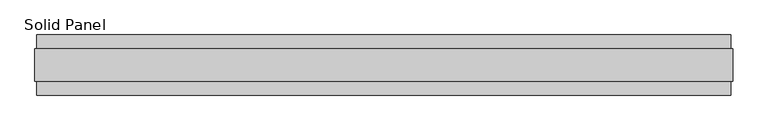
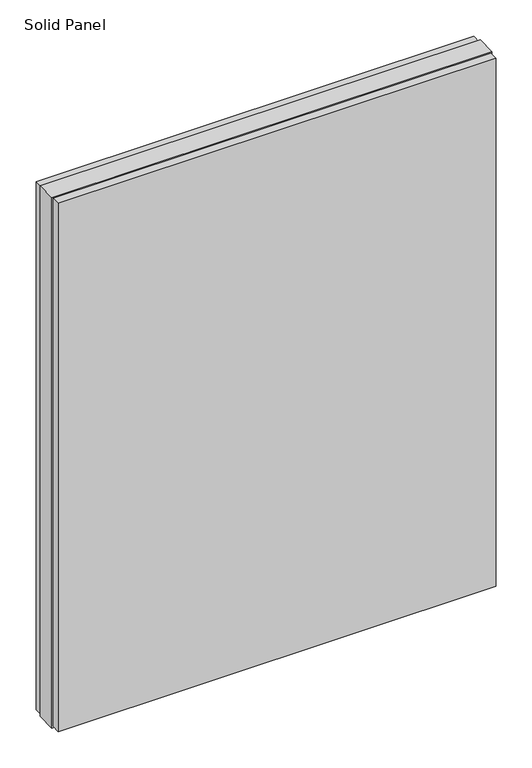
"""IFC4 building model written with IfcOpenShell, lengths in millimetres: plate geometry, Solid Panel."""

from ifc_helpers import new_model, si_unit, frame, origin, origin_with_axes, place, context, project, spatial, polyline, outline, extrude, source, transform, mapped, element, save


def solid_panel_94b8172c(model_context):
    return source(origin(), model_context, "Body", "SweptSolid", [
        extrude(outline(polyline([(555.8028, -48.4531867), (-555.8028, -48.4531867), (-555.8028, -25.9961), (555.8028, -25.9961), (555.8028, -48.4531867)])), frame((0.0, 0.0, 3.0099), z_axis=(0.0, 0.0, 1.0), x_axis=(1.0, 0.0, 0.0)), (0.0, 0.0, 1.0), 1416.3802),
        extrude(outline(polyline([(555.8028, 25.9977), (-555.8028, 25.9977), (-555.8028, 48.4547867), (555.8028, 48.4547867), (555.8028, 25.9977)])), frame((0.0, 0.0, 3.0099), z_axis=(0.0, 0.0, 1.0), x_axis=(1.0, 0.0, 0.0)), (0.0, 0.0, 1.0), 1416.3802),
        extrude(outline(polyline([(558.8, -25.9961), (-558.8, -25.9961), (-558.8, 25.9977), (558.8, 25.9977), (558.8, -25.9961)])), origin_with_axes(), (0.0, 0.0, 1.0), 1422.4),
    ])


if __name__ == "__main__":
    model = new_model("IFC4")
    model_context = context("Model", 3, world=origin())
    ifc_project = project(units=[si_unit("LENGTHUNIT", "METRE", prefix="MILLI")], contexts=[model_context])
    site = spatial("IfcSite", under=ifc_project)
    building = spatial("IfcBuilding", under=site)
    placement = place(None, origin())
    solid_panel_shape = solid_panel_94b8172c(model_context)
    element("IfcPlate", 1, ObjectType="Solid Panel", at=placement, inside=building, context=model_context, shape_type="MappedRepresentation", body=[
        mapped(solid_panel_shape, transform((0.0, 0.0, 0.0), x_axis=(1.0, 0.0, 0.0), y_axis=(0.0, 1.0, 0.0), z_axis=(0.0, 0.0, 1.0))),
    ])
    save(model, "model.ifc")
